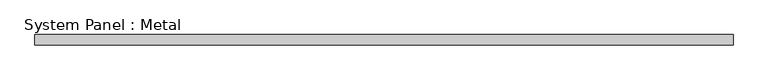
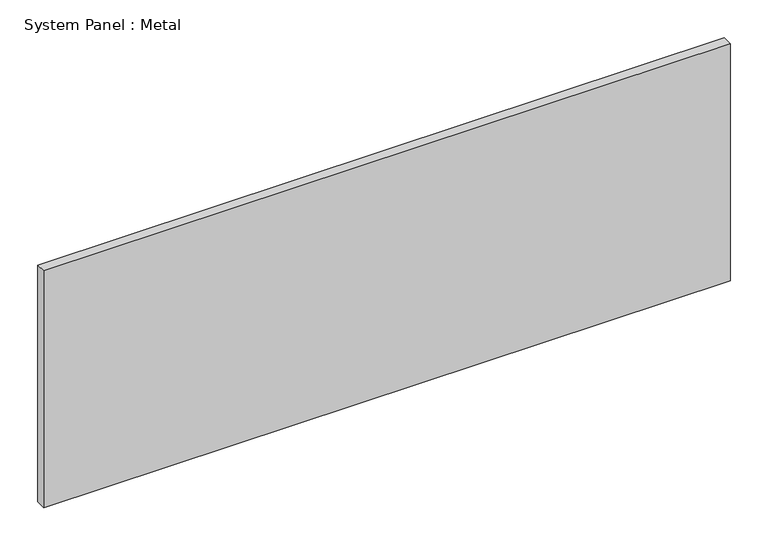
"""IFC4 building model written with IfcOpenShell, lengths in millimetres: plate geometry, System Panel : Metal."""

from ifc_helpers import new_model, si_unit, origin, origin_with_axes, place, context, project, spatial, polyline, outline, extrude, source, transform, mapped, element, save


def system_panel_metal_75b3081c(model_context):
    return source(origin(), model_context, "Body", "SweptSolid", [
        extrude(outline(polyline([(527.7793939, -85.0), (-527.7793939, -85.0), (-527.7793939, -69.0), (527.7793939, -69.0), (527.7793939, -85.0)])), origin_with_axes(), (0.0, 0.0, 1.0), 385.0),
    ])


if __name__ == "__main__":
    model = new_model("IFC4")
    model_context = context("Model", 3, world=origin())
    ifc_project = project(units=[si_unit("LENGTHUNIT", "METRE", prefix="MILLI")], contexts=[model_context])
    site = spatial("IfcSite", under=ifc_project)
    building = spatial("IfcBuilding", under=site)
    placement = place(None, origin())
    system_panel_metal_shape = system_panel_metal_75b3081c(model_context)
    element("IfcPlate", 1, ObjectType="System Panel : Metal", at=placement, inside=building, context=model_context, shape_type="MappedRepresentation", body=[
        mapped(system_panel_metal_shape, transform((0.0, 0.0, 0.0), x_axis=(1.0, 0.0, 0.0), y_axis=(0.0, 1.0, 0.0), z_axis=(0.0, 0.0, 1.0))),
    ])
    save(model, "model.ifc")
